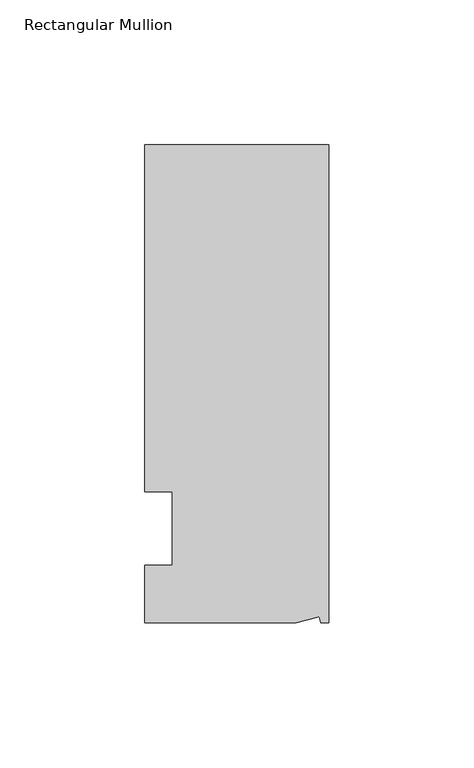
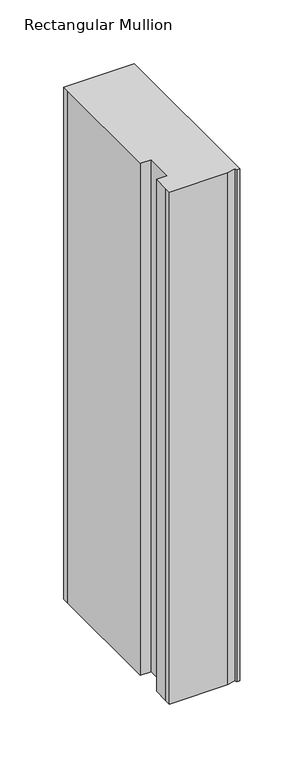
"""IFC4 building model written with IfcOpenShell, lengths in millimetres: member geometry, Rectangular Mullion."""

from ifc_helpers import new_model, si_unit, frame, origin, place, context, project, spatial, polyline, outline, extrude, source, transform, mapped, element, save


def rectangular_mullion_28d6684e(model_context):
    return source(origin(), model_context, "Body", "SweptSolid", [
        extrude(outline(polyline([(0.0, 132.5561012), (0.0, -32.5438988), (-2.7616541, -32.5438988), (-3.3341886, -30.4622958), (-11.121847, -32.5438988), (-63.5, -32.5438988), (-63.5, -26.1938988), (-63.5, -12.5945801), (-53.975, -12.5945801), (-53.975, 12.8054199), (-63.5, 12.8054199), (-63.5, 126.2061012), (-63.5, 132.5561012), (0.0, 132.5561012)])), frame((0.0, 0.0, -488.95), z_axis=(0.0, 0.0, 1.0), x_axis=(1.0, 0.0, 0.0)), (0.0, 0.0, 1.0), 488.95),
    ])


if __name__ == "__main__":
    model = new_model("IFC4")
    model_context = context("Model", 3, world=origin())
    ifc_project = project(units=[si_unit("LENGTHUNIT", "METRE", prefix="MILLI")], contexts=[model_context])
    site = spatial("IfcSite", under=ifc_project)
    building = spatial("IfcBuilding", under=site)
    placement = place(None, origin())
    rectangular_mullion_shape = rectangular_mullion_28d6684e(model_context)
    element("IfcMember", 1, ObjectType="Rectangular Mullion", at=placement, inside=building, context=model_context, shape_type="MappedRepresentation", body=[
        mapped(rectangular_mullion_shape, transform((0.0, 0.0, 0.0), x_axis=(1.0, 0.0, 0.0), y_axis=(0.0, 1.0, 0.0), z_axis=(0.0, 0.0, 1.0))),
    ])
    save(model, "model.ifc")
